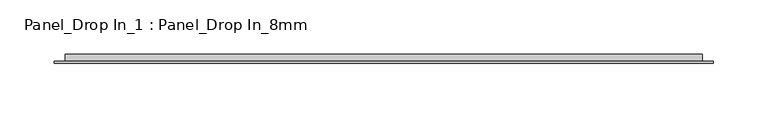
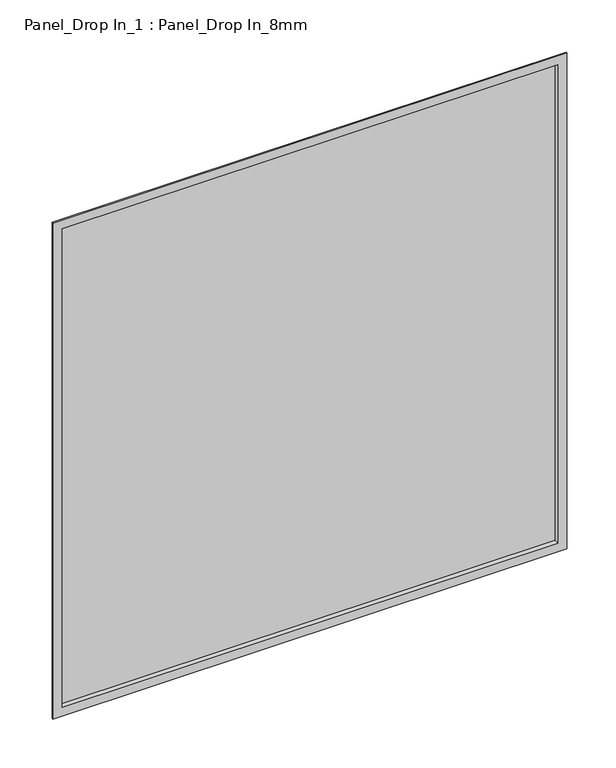
"""IFC4 building model written with IfcOpenShell, lengths in millimetres: plate geometry, Panel_Drop In_1 : Panel_Drop In_8mm."""

from ifc_helpers import new_model, si_unit, frame, origin, place, context, project, spatial, polyline, outline, extrude, faceted_brep, source, transform, mapped, element, save


def panel_drop_in_1_panel_drop_in_8mm_a38b98dc(model_context):
    return source(origin(), model_context, "Body", "SolidModel", [
        extrude(outline(polyline([(292.0, 5.5297993), (-292.0, 5.5297993), (-292.0, 7.0), (292.0, 7.0), (292.0, 5.5297993)])), frame((0.0, 0.0, 1.0), z_axis=(0.0, 0.0, 1.0), x_axis=(1.0, 0.0, 0.0)), (0.0, 0.0, 1.0), 596.0),
        faceted_brep([(-303.0, 0.0, 608.0), (-303.0, 1.5, 608.0), (-303.0, 1.5, -10.0), (-303.0, 0.0, -10.0), (-292.0, 7.0, 597.0), (-292.0, 0.0, 597.0), (-292.0, 0.0, 1.0), (-292.0, 7.0, 1.0), (-283.0, 8.0, 588.0), (-283.0, 7.0, 588.0), (-283.0, 7.0, 10.0), (-283.0, 8.0, 10.0), (-293.0, 1.5, 598.0), (-293.0, 8.0, 598.0), (-293.0, 8.0, 0.0), (-293.0, 1.5, 0.0), (303.0, 1.5, -10.0), (303.0, 0.0, -10.0), (292.0, 0.0, 1.0), (292.0, 7.0, 1.0), (283.0, 7.0, 10.0), (283.0, 8.0, 10.0), (293.0, 8.0, 0.0), (293.0, 1.5, 0.0), (303.0, 1.5, 608.0), (303.0, 0.0, 608.0), (292.0, 0.0, 597.0), (292.0, 7.0, 597.0), (283.0, 7.0, 588.0), (283.0, 8.0, 588.0), (293.0, 8.0, 598.0), (293.0, 1.5, 598.0)], [[[0, 1, 2, 3]], [[4, 5, 6, 7]], [[8, 9, 10, 11]], [[12, 13, 14, 15]], [[3, 2, 16, 17]], [[7, 6, 18, 19]], [[11, 10, 20, 21]], [[15, 14, 22, 23]], [[17, 16, 24, 25]], [[19, 18, 26, 27]], [[21, 20, 28, 29]], [[23, 22, 30, 31]], [[25, 24, 1, 0]], [[3, 17, 25, 0], [5, 26, 18, 6]], [[27, 26, 5, 4]], [[7, 19, 27, 4], [9, 28, 20, 10]], [[29, 28, 9, 8]], [[13, 30, 22, 14], [11, 21, 29, 8]], [[31, 30, 13, 12]], [[1, 24, 16, 2], [15, 23, 31, 12]]]),
        extrude(outline(polyline([(283.0, 7.0), (-283.0, 7.0), (-283.0, 8.0), (283.0, 8.0), (283.0, 7.0)])), frame((0.0, 0.0, 10.0), z_axis=(0.0, 0.0, 1.0), x_axis=(1.0, 0.0, 0.0)), (0.0, 0.0, 1.0), 578.0),
    ])


if __name__ == "__main__":
    model = new_model("IFC4")
    model_context = context("Model", 3, world=origin())
    ifc_project = project(units=[si_unit("LENGTHUNIT", "METRE", prefix="MILLI")], contexts=[model_context])
    site = spatial("IfcSite", under=ifc_project)
    building = spatial("IfcBuilding", under=site)
    placement = place(None, origin())
    panel_drop_in_1_panel_drop_in_8mm_shape = panel_drop_in_1_panel_drop_in_8mm_a38b98dc(model_context)
    element("IfcPlate", 1, ObjectType="Panel_Drop In_1 : Panel_Drop In_8mm", at=placement, inside=building, context=model_context, shape_type="MappedRepresentation", body=[
        mapped(panel_drop_in_1_panel_drop_in_8mm_shape, transform((0.0, 0.0, 0.0), x_axis=(1.0, 0.0, 0.0), y_axis=(0.0, 1.0, 0.0), z_axis=(0.0, 0.0, 1.0))),
    ])
    save(model, "model.ifc")
